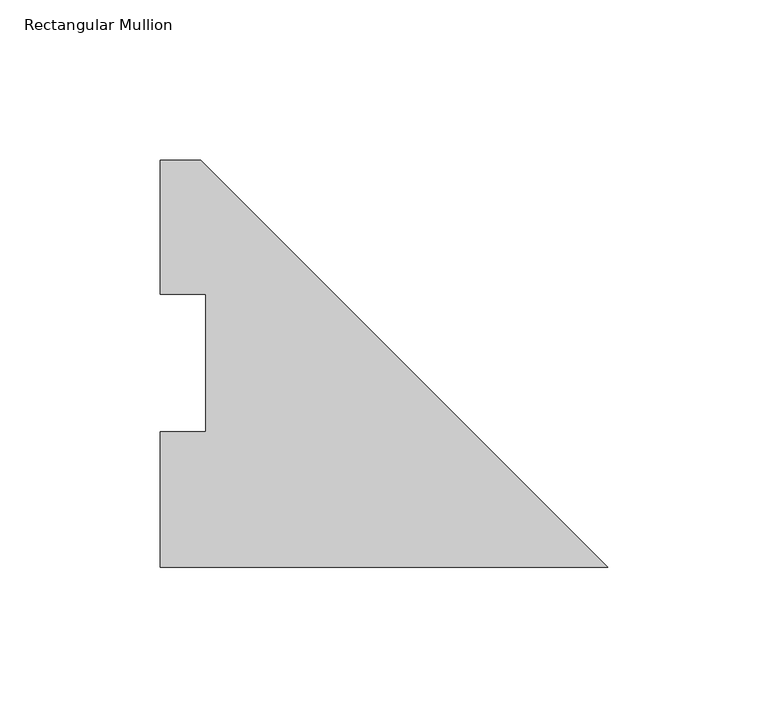
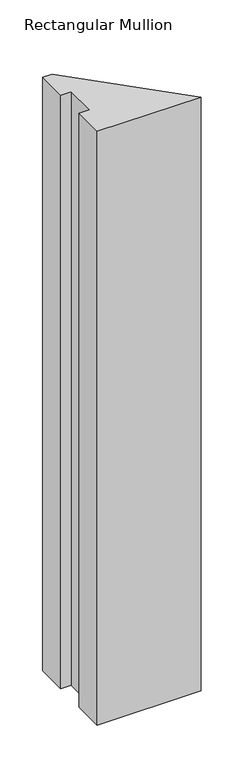
"""IFC4 building model written with IfcOpenShell, lengths in millimetres: member geometry, Rectangular Mullion."""

from ifc_helpers import new_model, si_unit, frame, origin, place, context, project, spatial, polyline, outline, extrude, source, transform, mapped, element, save


def rectangular_mullion_1672967d(model_context):
    return source(origin(), model_context, "Body", "SweptSolid", [
        extrude(outline(polyline([(-139.7, 126.9705908), (-127.0, 126.9705908), (0.0, -0.0294092), (-139.7, -0.0294092), (-139.7, 42.2798875), (-125.41504, 42.2798875), (-125.41504, 85.1296875), (-139.7, 85.1296875), (-139.7, 126.9705908)])), frame((0.0, 0.0, -844.3091858), z_axis=(0.0, 0.0, 1.0), x_axis=(1.0, 0.0, 0.0)), (0.0, 0.0, 1.0), 844.3091858),
    ])


if __name__ == "__main__":
    model = new_model("IFC4")
    model_context = context("Model", 3, world=origin())
    ifc_project = project(units=[si_unit("LENGTHUNIT", "METRE", prefix="MILLI")], contexts=[model_context])
    site = spatial("IfcSite", under=ifc_project)
    building = spatial("IfcBuilding", under=site)
    placement = place(None, origin())
    rectangular_mullion_shape = rectangular_mullion_1672967d(model_context)
    element("IfcMember", 1, ObjectType="Rectangular Mullion", at=placement, inside=building, context=model_context, shape_type="MappedRepresentation", body=[
        mapped(rectangular_mullion_shape, transform((0.0, 0.0, 0.0), x_axis=(1.0, 0.0, 0.0), y_axis=(0.0, 1.0, 0.0), z_axis=(0.0, 0.0, 1.0))),
    ])
    save(model, "model.ifc")
